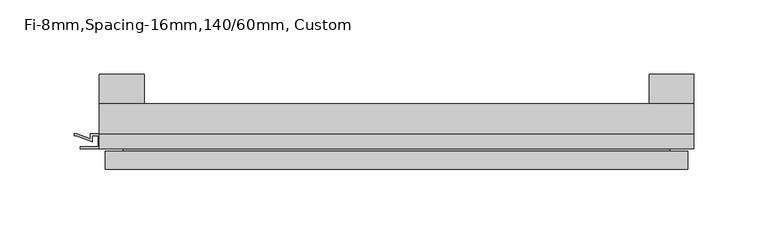
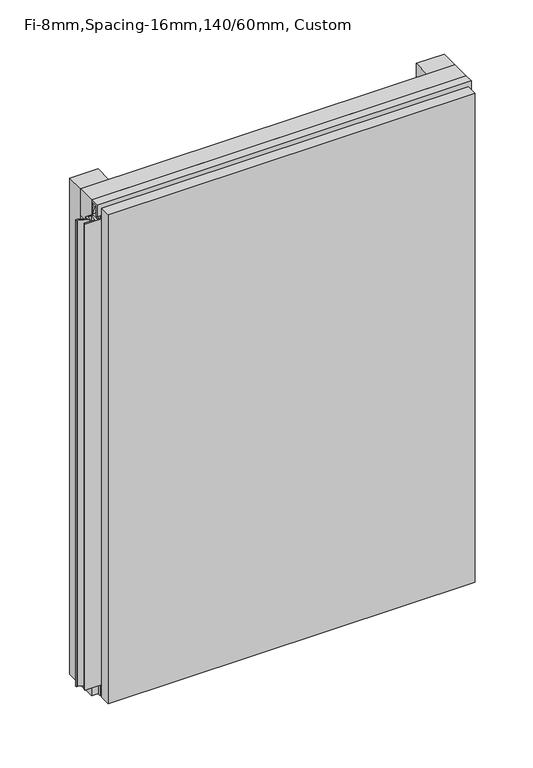
"""IFC4 building model written with IfcOpenShell, lengths in millimetres: plate geometry, Fi-8mm,Spacing-16mm,140/60mm, Custom."""

from ifc_helpers import new_model, si_unit, frame, origin, origin_with_axes, place, context, project, spatial, polyline, outline, extrude, faceted_brep, source, transform, mapped, element, save


def fi_8mm_spacing_16mm_140_60mm_custom_c1b462ea(model_context):
    return source(origin(), model_context, "Body", "SolidModel", [
        extrude(outline(polyline([(-200.0, -40.0), (-200.0, -20.0), (200.0, -20.0), (200.0, -40.0), (-200.0, -40.0)])), frame((0.0, 0.0, 530.0), z_axis=(0.0, 0.0, 1.0), x_axis=(1.0, 0.0, 0.0)), (0.0, 0.0, 1.0), 30.0),
        extrude(outline(polyline([(-200.0, -40.0), (-200.0, -20.0), (200.0, -20.0), (200.0, -40.0), (-200.0, -40.0)])), origin_with_axes(), (0.0, 0.0, 1.0), 30.0),
        extrude(outline(polyline([(170.0, 0.0), (200.0, 0.0), (200.0, -20.0), (170.0, -20.0), (170.0, 0.0)])), origin_with_axes(), (0.0, 0.0, 1.0), 560.0),
        extrude(outline(polyline([(-170.0, 0.0), (-170.0, -20.0), (-200.0, -20.0), (-200.0, 0.0), (-170.0, 0.0)])), origin_with_axes(), (0.0, 0.0, 1.0), 560.0),
        extrude(outline(polyline([(-40.0, 553.700916), (-43.5, 553.700916), (-40.0553267, 544.6441401), (-40.0553267, 537.008452), (-41.4553267, 537.008452), (-41.4553267, 544.4296606), (-45.5140545, 555.100916), (-41.4, 555.100916), (-41.4, 558.5843193), (-48.7, 558.5843193), (-48.7, 546.5843193), (-50.1, 546.5843193), (-50.1, 560.0), (-40.0, 560.0), (-40.0, 553.700916)])), frame((-200.0, 0.0, 0.0), z_axis=(1.0, 0.0, 0.0), x_axis=(0.0, 1.0, 0.0)), (0.0, 0.0, 1.0), 400.0),
        extrude(outline(polyline([(-200.899084, -48.7), (-200.899084, -41.4), (-204.899084, -41.4), (-204.899084, -45.5140545), (-215.5703394, -41.4553267), (-216.9558599, -41.4553267), (-216.9558599, -40.0553267), (-215.3558599, -40.0553267), (-206.299084, -43.5), (-206.299084, -40.0), (-193.700916, -40.0), (-193.700916, -43.5), (-184.6441401, -40.0553267), (-183.0441401, -40.0553267), (-183.0441401, -41.4553267), (-184.4296606, -41.4553267), (-195.100916, -45.5140545), (-195.100916, -41.4), (-199.100916, -41.4), (-199.100916, -48.7), (-187.100916, -48.7), (-187.100916, -50.1), (-212.899084, -50.1), (-212.899084, -48.7), (-200.899084, -48.7)])), frame((0.0, 0.0, 16.9558599), z_axis=(0.0, 0.0, 1.0), x_axis=(1.0, 0.0, 0.0)), (0.0, 0.0, 1.0), 526.0882802),
        faceted_brep([(196.0, -45.9, 556.0), (-196.0, -45.9, 556.0), (-196.0, -48.7, 556.0), (196.0, -48.7, 556.0), (-196.0, -63.9, 556.0), (196.0, -63.9, 556.0), (196.0, -51.9, 556.0), (-196.0, -51.9, 556.0), (-196.0, -45.9, 4.0), (196.0, -45.9, 4.0), (196.0, -48.7, 4.0), (-196.0, -48.7, 4.0), (196.0, -63.9, 4.0), (-196.0, -63.9, 4.0), (-196.0, -51.9, 4.0), (196.0, -51.9, 4.0), (184.0, -51.9, 544.0), (184.0, -51.9, 16.0), (184.0, -48.7, 16.0), (184.0, -48.7, 544.0), (-184.0, -51.9, 16.0), (-184.0, -48.7, 16.0), (-184.0, -51.9, 544.0), (-184.0, -48.7, 544.0)], [[[0, 1, 2, 3]], [[4, 5, 6, 7]], [[8, 9, 10, 11]], [[12, 13, 14, 15]], [[1, 0, 9, 8]], [[1, 8, 11, 2]], [[13, 4, 7, 14]], [[5, 4, 13, 12]], [[9, 0, 3, 10]], [[5, 12, 15, 6]], [[16, 17, 18, 19]], [[18, 17, 20, 21]], [[21, 20, 22, 23]], [[16, 19, 23, 22]], [[7, 6, 15, 14], [17, 16, 22, 20]], [[3, 2, 11, 10], [19, 18, 21, 23]]]),
    ])


if __name__ == "__main__":
    model = new_model("IFC4")
    model_context = context("Model", 3, world=origin())
    ifc_project = project(units=[si_unit("LENGTHUNIT", "METRE", prefix="MILLI")], contexts=[model_context])
    site = spatial("IfcSite", under=ifc_project)
    building = spatial("IfcBuilding", under=site)
    placement = place(None, origin())
    fi_8mm_spacing_16mm_140_60mm_custom_shape = fi_8mm_spacing_16mm_140_60mm_custom_c1b462ea(model_context)
    element("IfcPlate", 1, ObjectType="Fi-8mm,Spacing-16mm,140/60mm, Custom", at=placement, inside=building, context=model_context, shape_type="MappedRepresentation", body=[
        mapped(fi_8mm_spacing_16mm_140_60mm_custom_shape, transform((0.0, 0.0, 0.0), x_axis=(1.0, 0.0, 0.0), y_axis=(0.0, 1.0, 0.0), z_axis=(0.0, 0.0, 1.0))),
    ])
    save(model, "model.ifc")
